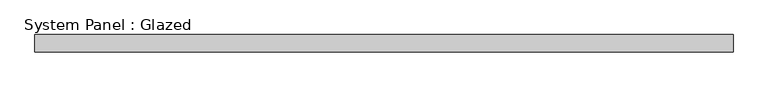
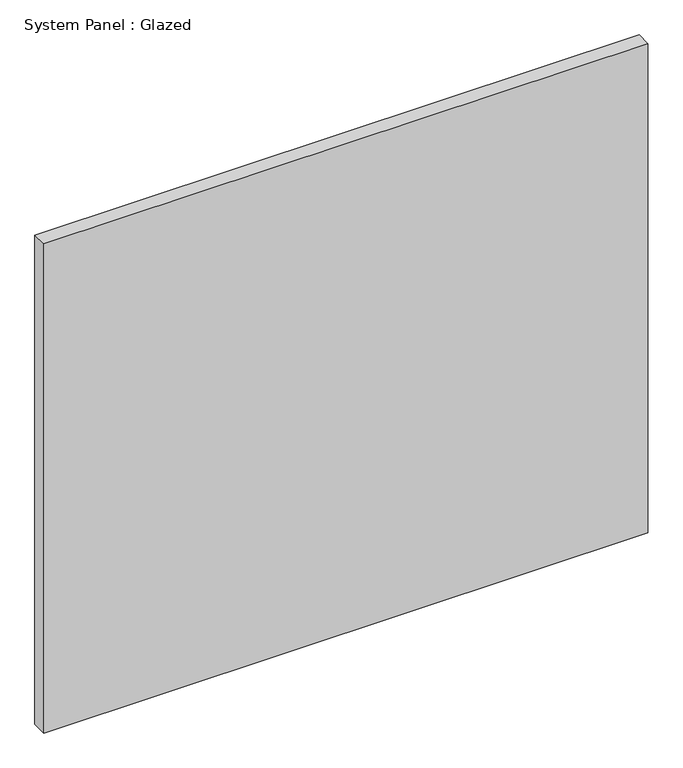
"""IFC4 building model written with IfcOpenShell, lengths in millimetres: plate geometry, System Panel : Glazed."""

from ifc_helpers import new_model, si_unit, origin, origin_with_axes, place, context, project, spatial, polyline, outline, extrude, source, transform, mapped, element, save


def system_panel_glazed_50115840(model_context):
    return source(origin(), model_context, "Body", "SweptSolid", [
        extrude(outline(polyline([(508.0, -12.7), (-508.0, -12.7), (-508.0, 12.7), (508.0, 12.7), (508.0, -12.7)])), origin_with_axes(), (0.0, 0.0, 1.0), 869.95),
    ])


if __name__ == "__main__":
    model = new_model("IFC4")
    model_context = context("Model", 3, world=origin())
    ifc_project = project(units=[si_unit("LENGTHUNIT", "METRE", prefix="MILLI")], contexts=[model_context])
    site = spatial("IfcSite", under=ifc_project)
    building = spatial("IfcBuilding", under=site)
    placement = place(None, origin())
    system_panel_glazed_shape = system_panel_glazed_50115840(model_context)
    element("IfcPlate", 1, ObjectType="System Panel : Glazed", at=placement, inside=building, context=model_context, shape_type="MappedRepresentation", body=[
        mapped(system_panel_glazed_shape, transform((0.0, 0.0, 0.0), x_axis=(1.0, 0.0, 0.0), y_axis=(0.0, 1.0, 0.0), z_axis=(0.0, 0.0, 1.0))),
    ])
    save(model, "model.ifc")
